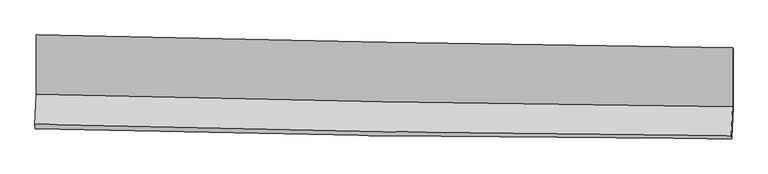
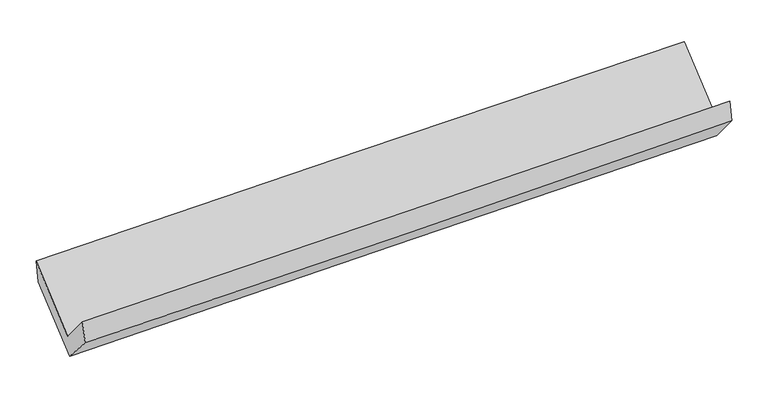
"""IFC4 building model written with IfcOpenShell, lengths in millimetres: proxy geometry."""

import ifcopenshell
import ifcopenshell.guid

model = None  # the IFC model being written
_history = None  # IfcOwnerHistory: only IFC2X3 demands one
_inside = {}  # id of a spatial element -> (the spatial element, [elements in it])
_under = {}  # id of a project, library or spatial element -> (it, [spatial elements below it])
_declared = {}  # id of a project -> (the project, [libraries it declares])
_typed = {}  # id of a type object -> (the type object, [elements of that type])
_made_of = {}  # id of a material, layer set ... -> (it, [elements and type objects made of it])


def new_model(schema):
    """Start an empty IFC model of exactly this schema.

    Asked for "IFC4X3", IfcOpenShell would pick the latest addendum, in which some entities
    have other attributes; the version numbers below select the first issue.
    IFC2X3 requires an IfcOwnerHistory on every rooted entity: one is made here for all.
    """
    global model, _history
    if schema == "IFC4X3":
        model = ifcopenshell.file(schema_version=(4, 3, 0, 0))
    else:
        model = ifcopenshell.file(schema=schema)
    _inside.clear()
    _under.clear()
    _declared.clear()
    _typed.clear()
    _made_of.clear()
    _history = None
    if model.schema == "IFC2X3":
        org = make("IfcOrganization", Name="unknown")
        user = make(
            "IfcPersonAndOrganization",
            ThePerson=make("IfcPerson", FamilyName="unknown"),
            TheOrganization=org,
        )
        app = make(
            "IfcApplication",
            ApplicationDeveloper=org,
            Version="unknown",
            ApplicationFullName="unknown",
            ApplicationIdentifier="unknown",
        )
        _history = make(
            "IfcOwnerHistory",
            OwningUser=user,
            OwningApplication=app,
            ChangeAction="ADDED",
            CreationDate=0,
        )
    return model


def make(cls, **values):
    """One entity of the class cls with the attributes given. An attribute that is None is left unset."""
    return model.create_entity(
        cls, **{name: value for name, value in values.items() if value is not None}
    )


def rooted(cls, **values):
    """An entity with a GlobalId (a new one), such as an element, a storey or a relation."""
    return make(cls, GlobalId=ifcopenshell.guid.new(), OwnerHistory=_history, **values)


def si_unit(unit_type, name, prefix=None):
    """IfcSIUnit, for example si_unit("LENGTHUNIT", "METRE", prefix="MILLI")."""
    return make("IfcSIUnit", UnitType=unit_type, Prefix=prefix, Name=name)


def assignment(units):
    """IfcUnitAssignment: the units of a project."""
    return None if units is None else make("IfcUnitAssignment", Units=units)


def point(xyz):
    """IfcCartesianPoint."""
    return None if xyz is None else make("IfcCartesianPoint", Coordinates=xyz)


def direction(xyz):
    """IfcDirection."""
    return None if xyz is None else make("IfcDirection", DirectionRatios=xyz)


def frame(location, z_axis=None, x_axis=None):
    """IfcAxis2Placement3D, a coordinate frame: its origin and axes. An axis left out is left unset."""
    return make(
        "IfcAxis2Placement3D",
        Location=point(location),
        Axis=direction(z_axis),
        RefDirection=direction(x_axis),
    )


def origin():
    """The frame at (0, 0, 0) with its axes left unset."""
    return frame((0.0, 0.0, 0.0))


def place(relative_to, where):
    """IfcLocalPlacement: puts the frame where relative to a parent placement (None: the world)."""
    return make(
        "IfcLocalPlacement", PlacementRelTo=relative_to, RelativePlacement=where
    )


def context(
    kind, dimensions, precision=None, world=None, true_north=None, identifier=None
):
    """IfcGeometricRepresentationContext, for example the 3D "Model" context."""
    return make(
        "IfcGeometricRepresentationContext",
        ContextIdentifier=identifier,
        ContextType=kind,
        CoordinateSpaceDimension=dimensions,
        Precision=precision,
        WorldCoordinateSystem=world,
        TrueNorth=true_north,
    )


def project(units=None, contexts=None):
    """IfcProject with its units and contexts."""
    return rooted(
        "IfcProject",
        Name="project",
        RepresentationContexts=contexts,
        UnitsInContext=assignment(units),
    )


def spatial(cls, under=None, at=None, **own):
    """A site, building, storey or space (cls), placed at a placement, below another one or the project."""
    s = rooted(cls, ObjectPlacement=at, **own)
    if under is not None:
        _under.setdefault(under.id(), (under, []))[1].append(s)
    return s


def shape(context_of_items, identifier, shape_type, items):
    """IfcShapeRepresentation: the items that make up one representation, for example the "Body"."""
    return make(
        "IfcShapeRepresentation",
        ContextOfItems=context_of_items,
        RepresentationIdentifier=identifier,
        RepresentationType=shape_type,
        Items=items,
    )


def source(mapping_origin, context_of_items, identifier, shape_type, items):
    """IfcRepresentationMap: a shape defined once, which mapped items show again and again."""
    return make(
        "IfcRepresentationMap",
        MappingOrigin=mapping_origin,
        MappedRepresentation=shape(context_of_items, identifier, shape_type, items),
    )


def transform(
    local_origin,
    x_axis=None,
    y_axis=None,
    z_axis=None,
    scale=None,
    scale2=None,
    scale3=None,
    uniform=True,
):
    """IfcCartesianTransformationOperator3D, or its non-uniform kind. x_axis, y_axis, z_axis: its Axis1, 2, 3."""
    if uniform:
        return make(
            "IfcCartesianTransformationOperator3D",
            Axis1=direction(x_axis),
            Axis2=direction(y_axis),
            LocalOrigin=point(local_origin),
            Scale=scale,
            Axis3=direction(z_axis),
        )
    return make(
        "IfcCartesianTransformationOperator3DnonUniform",
        Axis1=direction(x_axis),
        Axis2=direction(y_axis),
        LocalOrigin=point(local_origin),
        Scale=scale,
        Axis3=direction(z_axis),
        Scale2=scale2,
        Scale3=scale3,
    )


def mapped(mapping_source, mapping_target):
    """IfcMappedItem: shows the shape of a source again, moved by a transform."""
    return make(
        "IfcMappedItem", MappingSource=mapping_source, MappingTarget=mapping_target
    )


def made_of(thing, what):
    """Note that an element or type object is made of a material, layer set ...; save() writes the relation."""
    if what is not None:
        _made_of.setdefault(what.id(), (what, []))[1].append(thing)
    return thing


def element(
    cls,
    number,
    at=None,
    inside=None,
    cuts=None,
    type_object=None,
    material=None,
    context=None,
    identifier="Body",
    shape_type=None,
    held_by="IfcProductDefinitionShape",
    body=None,
    shapes=None,
    **own,
):
    """One element of the class cls, such as IfcWall. Its Tag is "e" and its number.

    at: its placement. inside: the storey or other place that contains it. cuts: it is an
    opening in that element (IfcRelVoidsElement). A single representation is given by context,
    identifier, shape_type and body (its items); several are given by shapes. held_by: the class
    of the entity that holds the representations. save() writes the other relations.
    """
    e = rooted(cls, Tag="e%d" % number, ObjectPlacement=at, **own)
    if body is not None:
        shapes = [shape(context, identifier, shape_type, body)]
    if shapes is not None:
        e.Representation = make(held_by, Representations=shapes)
    if inside is not None:
        _inside.setdefault(inside.id(), (inside, []))[1].append(e)
    if cuts is not None:
        rooted(
            "IfcRelVoidsElement", RelatingBuildingElement=cuts, RelatedOpeningElement=e
        )
    if type_object is not None:
        _typed.setdefault(type_object.id(), (type_object, []))[1].append(e)
    return made_of(e, material)


def aggregate(whole, parts):
    """IfcRelAggregates: a whole, such as a stair, and the parts it consists of."""
    return rooted("IfcRelAggregates", RelatingObject=whole, RelatedObjects=parts)


def save(model, path):
    """Write the relations noted so far, then the file.

    IfcRelAggregates (storeys below a building ...), IfcRelContainedInSpatialStructure (elements
    in a storey), IfcRelDefinesByType, IfcRelAssociatesMaterial and IfcRelDeclares: one each for
    every whole, place, type object, material and project.
    """
    for whole, parts in _under.values():
        aggregate(whole, parts)
    for where, things in _inside.values():
        rooted(
            "IfcRelContainedInSpatialStructure",
            RelatedElements=things,
            RelatingStructure=where,
        )
    for kind, things in _typed.values():
        rooted("IfcRelDefinesByType", RelatedObjects=things, RelatingType=kind)
    for what, things in _made_of.values():
        rooted("IfcRelAssociatesMaterial", RelatedObjects=things, RelatingMaterial=what)
    for by, libraries in _declared.values():
        rooted("IfcRelDeclares", RelatingContext=by, RelatedDefinitions=libraries)
    model.write(path)


def plane_surface(at):
    """IfcPlane: the flat surface through the origin of the frame at, square to its z axis."""
    return make("IfcPlane", Position=at)


def spline_curve(degree, points, multiplicities, knots, weights=None):
    """IfcBSplineCurveWithKnots; with weights, IfcRationalBSplineCurveWithKnots."""
    own = dict(
        Degree=degree,
        ControlPointsList=[point(p) for p in points],
        CurveForm="UNSPECIFIED",
        ClosedCurve=False,
        SelfIntersect=False,
        KnotMultiplicities=multiplicities,
        Knots=knots,
        KnotSpec="UNSPECIFIED",
    )
    if weights is None:
        return make("IfcBSplineCurveWithKnots", **own)
    return make("IfcRationalBSplineCurveWithKnots", WeightsData=weights, **own)


def spline_surface(u_degree, v_degree, points, u_multiplicities, v_multiplicities, u_knots, v_knots, weights=None):
    """IfcBSplineSurfaceWithKnots; with weights, IfcRationalBSplineSurfaceWithKnots. points: one row for each step in u."""
    own = dict(
        UDegree=u_degree,
        VDegree=v_degree,
        ControlPointsList=[[point(p) for p in row] for row in points],
        SurfaceForm="UNSPECIFIED",
        UClosed=False,
        VClosed=False,
        SelfIntersect=False,
        UMultiplicities=u_multiplicities,
        VMultiplicities=v_multiplicities,
        UKnots=u_knots,
        VKnots=v_knots,
        KnotSpec="UNSPECIFIED",
    )
    if weights is None:
        return make("IfcBSplineSurfaceWithKnots", **own)
    return make("IfcRationalBSplineSurfaceWithKnots", WeightsData=weights, **own)


def advanced_brep(points, edges, surfaces, faces):
    """IfcAdvancedBrep: a solid bounded by faces that lie on surfaces and meet in shared edges.

    An edge is (start, end): straight between two places in points (the first is 0);
    or (start, end, curve); or (start, end, curve, False) where it runs against its curve.
    A face is (place in surfaces, loops), or (place, loops, False) where it looks against
    its surface's normal. A loop lists edges by number (the first is 1), with a minus sign
    where the edge is run from its end to its start. The first loop is the outer one.
    """
    corners = [point(p) for p in points]
    vertices = [make("IfcVertexPoint", VertexGeometry=c) for c in corners]
    made = []
    for start, end, *more in edges:
        made.append(
            make(
                "IfcEdgeCurve",
                EdgeStart=vertices[start],
                EdgeEnd=vertices[end],
                EdgeGeometry=more[0] if more else make("IfcPolyline", Points=[corners[start], corners[end]]),
                SameSense=more[1] if len(more) > 1 else True,
            )
        )
    hull = []
    for where, loops, *sense in faces:
        bounds = []
        for j, loop in enumerate(loops):
            ring = [make("IfcOrientedEdge", EdgeElement=made[abs(k) - 1], Orientation=k > 0) for k in loop]
            bounds.append(
                make(
                    "IfcFaceOuterBound" if j == 0 else "IfcFaceBound",
                    Bound=make("IfcEdgeLoop", EdgeList=ring),
                    Orientation=True,
                )
            )
        hull.append(make("IfcAdvancedFace", Bounds=bounds, FaceSurface=surfaces[where], SameSense=sense[0] if sense else True))
    return make("IfcAdvancedBrep", Outer=make("IfcClosedShell", CfsFaces=hull))


def generic_models_a66bce00(model_context):
    return source(origin(), model_context, "Body", "AdvancedBrep", [
        advanced_brep(
        [(-3025.3442972, -1152.4368893, 2176.0595673), (-3025.2915491, -1668.7174841, 1736.2938135), (3014.8698215, -1774.0421136, 1883.166824), (3014.3055526, -1261.9081583, 2313.0110356), (-3036.6055756, -1927.1745815, 2042.9497979), (3003.7591098, -2025.2095501, 2186.4357477), (-3033.2946698, -1967.3049877, 1855.1524594), (3007.2061249, -2051.9769468, 2009.6875505), (-3021.7147173, -1691.6770074, 1550.6877305), (3018.9252387, -1784.9090849, 1691.5073726), (-3021.6301233, -1180.211589, 1979.9946973), (3018.3659133, -1277.2618948, 2117.5857529)],
        [
            (0, 1),
            (1, 2, spline_curve(3, [(-3025.2915491, -1668.7174841, 1736.2938135), (-2018.809196244, -1693.811638204, 1764.554948915), (-1012.22216594, -1715.135758559, 1790.924915091), (1001.164956919, -1750.243996274, 1839.882599038), (2007.965050066, -1764.028085836, 1862.470303272), (3014.8698215, -1774.0421136, 1883.166824)], [4, 2, 4], [0.0, 9.912373861867357, 19.824784220507354])),
            (2, 3),
            (3, 0, spline_curve(3, [(3014.3055526, -1261.9081583, 2313.0110356), (2007.430539544, -1249.816530957, 2297.27055881), (1000.687952551, -1234.648088819, 2277.987670233), (-1012.528663286, -1198.157643358, 2232.337154808), (-2019.002692783, -1176.835662293, 2205.969553747), (-3025.3442972, -1152.4368893, 2176.0595673)], [4, 2, 4], [0.0, 9.912410358639997, 19.824784220507354])),
            (1, 4),
            (4, 5, spline_curve(3, [(-3036.6055756, -1927.1745815, 2042.9497979), (-2030.156538875, -1953.476858037, 2071.767355261), (-1023.569223358, -1974.797571387, 2098.133278983), (989.885670462, -2007.475930973, 2145.961946868), (1996.753250365, -2018.833540743, 2167.424673073), (3003.7591098, -2025.2095501, 2186.4357477)], [4, 2, 4], [0.0, 9.912952415143348, 19.825941329189533])),
            (5, 2),
            (4, 6),
            (6, 7, spline_curve(3, [(-3033.2946698, -1967.3049877, 1855.1524594), (-2026.820063105, -1993.304548102, 1884.299146709), (-1020.208620453, -2013.360322927, 1911.750394011), (993.291643641, -2041.584353032, 1963.26210362), (2000.180465832, -2049.752564815, 1987.322553241), (3007.2061249, -2051.9769468, 2009.6875505)], [4, 2, 4], [0.0, 9.913172385675193, 19.82638127106314])),
            (7, 5),
            (6, 8),
            (8, 9, spline_curve(3, [(-3021.7147173, -1691.6770074, 1550.6877305), (-2015.268427545, -1716.249796819, 1582.120202093), (-1008.659546469, -1736.305525264, 1609.571394016), (1004.887104142, -1767.382917949, 1656.511303998), (2011.824875324, -1778.404548603, 1675.999992938), (3018.9252387, -1784.9090849, 1691.5073726)], [4, 2, 4], [0.0, 9.913292974835212, 19.826622449827184])),
            (9, 7),
            (8, 10),
            (10, 11, spline_curve(3, [(-3021.6301233, -1180.211589, 1979.9946973), (-2015.299045427, -1204.143995673, 2011.960437788), (-1008.801430475, -1224.197716792, 2039.409216537), (1004.530580753, -1256.547846964, 2085.272934697), (2011.364977726, -1268.844227949, 2103.687841202), (3018.3659133, -1277.2618948, 2117.5857529)], [4, 2, 4], [0.0, 9.912705448895958, 19.82544739578544])),
            (11, 9),
            (10, 0),
            (3, 11),
        ],
        [
            spline_surface(3, 3, [[(-3025.3442972, -1152.4368893, 2176.0595673), (-2019.002692745, -1176.83566216, 2205.969553699), (-1012.528663185, -1198.157643265, 2232.337154765), (1000.68795245, -1234.648088913, 2277.987670277), (2007.43053947, -1249.816530826, 2297.270558658), (3014.3055526, -1261.9081583, 2313.0110356)], [(-3025.326714501, -1324.530420894, 2029.470982677), (-2018.938193934, -1349.160987531, 2058.831352075), (-1012.426497417, -1370.483681733, 2085.199741517), (1000.846953929, -1406.513391366, 2131.952646563), (2007.608709633, -1421.220382464, 2152.337140156), (3014.493642225, -1432.619476743, 2169.729631738)], [(-3025.309131799, -1496.623952506, 1882.882398123), (-2018.873695119, -1521.486312921, 1911.693150521), (-1012.324331661, -1542.809720147, 1938.062328256), (1001.005955394, -1578.378693765, 1985.917622835), (2007.786879821, -1592.624234075, 2007.403721639), (3014.681731875, -1603.330795157, 2026.448227862)], [(-3025.2915491, -1668.7174841, 1736.2938135), (-2018.809196308, -1693.811638292, 1764.554948897), (-1012.222165893, -1715.135758615, 1790.924915008), (1001.164956872, -1750.243996218, 1839.882599122), (2007.965049984, -1764.028085714, 1862.470303136), (3014.8698215, -1774.0421136, 1883.166824)]], [4, 4], [4, 2, 4], [0.0, 2.2250289928126072], [0.0, 9.912373861867357, 19.824784220507354]),
            spline_surface(3, 3, [[(-3025.2915491, -1668.7174841, 1736.2938135), (-2018.809196308, -1693.811638292, 1764.554948897), (-1012.222165893, -1715.135758615, 1790.924915008), (1001.164956872, -1750.243996218, 1839.882599122), (2007.965049984, -1764.028085714, 1862.470303136), (3014.8698215, -1774.0421136, 1883.166824)], [(-3029.06289124, -1754.8698499, 1838.51247497), (-2022.591643773, -1780.366711585, 1866.959084364), (-1016.00451842, -1801.689696188, 1893.327702971), (997.405194789, -1835.987974434, 1941.909048381), (2004.227783488, -1848.96323732, 1964.12175982), (3011.166250937, -1857.764592408, 1984.256465232)], [(-3032.83423346, -1841.0222157, 1940.73113643), (-2026.374091317, -1866.921784878, 1969.363219822), (-1019.786870969, -1888.243633841, 1995.730490961), (993.645432683, -1921.73195273, 2043.935497668), (2000.490516982, -1933.898389, 2065.773216509), (3007.462680363, -1941.487071292, 2085.346106468)], [(-3036.6055756, -1927.1745815, 2042.9497979), (-2030.156538782, -1953.476858171, 2071.767355289), (-1023.569223496, -1974.797571414, 2098.133278924), (989.8856706, -2007.475930946, 2145.961946927), (1996.753250486, -2018.833540606, 2167.424673193), (3003.7591098, -2025.2095501, 2186.4357477)]], [4, 4], [4, 2, 4], [0.0, 1.3162393765288443], [0.0, 9.912952415143348, 19.825941329189533]),
            spline_surface(3, 3, [[(-3036.6055756, -1927.1745815, 2042.9497979), (-2030.156538782, -1953.476858171, 2071.767355289), (-1023.569223496, -1974.797571414, 2098.133278924), (989.8856706, -2007.475930946, 2145.961946927), (1996.753250486, -2018.833540606, 2167.424673193), (3003.7591098, -2025.2095501, 2186.4357477)], [(-3035.501940366, -1940.551383568, 1980.350685065), (-2029.044380222, -1966.752754828, 2009.277952427), (-1022.449022463, -1987.65182193, 2036.005650612), (991.020994898, -2018.845404992, 2085.061999128), (1997.895655574, -2029.139881959, 2107.390633213), (3004.908114821, -2034.132015671, 2127.519681972)], [(-3034.398305034, -1953.928185632, 1917.751572235), (-2027.932221564, -1980.028651479, 1946.78854957), (-1021.328821385, -2000.506072403, 1973.878022357), (992.156319242, -2030.214878994, 2024.162051385), (1999.038060699, -2039.446223301, 2047.356593217), (3006.057119879, -2043.054481229, 2068.603616228)], [(-3033.2946698, -1967.3049877, 1855.1524594), (-2026.820063004, -1993.304548136, 1884.299146708), (-1020.208620353, -2013.36032292, 1911.750394045), (993.29164354, -2041.58435304, 1963.262103586), (2000.180465788, -2049.752564654, 1987.322553237), (3007.2061249, -2051.9769468, 2009.6875505)]], [4, 4], [4, 2, 4], [0.0, 0.6171750248355427], [0.0, 9.913172385675193, 19.82638127106314]),
            spline_surface(3, 3, [[(-3033.2946698, -1967.3049877, 1855.1524594), (-2026.820063004, -1993.304548136, 1884.299146708), (-1020.208620353, -2013.36032292, 1911.750394045), (993.29164354, -2041.58435304, 1963.262103586), (2000.180465788, -2049.752564654, 1987.322553237), (3007.2061249, -2051.9769468, 2009.6875505)], [(-3029.434685618, -1875.428994266, 1753.664216447), (-2022.969517799, -1900.952964381, 1783.572831901), (-1016.358929068, -1921.008723758, 1811.024060718), (997.156797129, -1950.183874643, 1861.011837085), (2004.061935664, -1959.303225931, 1883.548366469), (3011.112496184, -1962.954326167, 1903.62749119)], [(-3025.574701482, -1783.553000834, 1652.175973453), (-2019.118972641, -1808.601380628, 1682.846517053), (-1012.509237851, -1828.65712456, 1710.297727325), (1001.02195065, -1858.78339621, 1758.761570518), (2007.943405488, -1868.853887208, 1779.774179731), (3015.018867416, -1873.931705533, 1797.56743191)], [(-3021.7147173, -1691.6770074, 1550.6877305), (-2015.268427436, -1716.249796874, 1582.120202246), (-1008.659546566, -1736.305525399, 1609.571393999), (1004.887104239, -1767.382917814, 1656.511304016), (2011.824875364, -1778.404548485, 1675.999992964), (3018.9252387, -1784.9090849, 1691.5073726)]], [4, 4], [4, 2, 4], [0.0, 1.347956750810005], [0.0, 9.913292974835212, 19.826622449827184]),
            spline_surface(3, 3, [[(-3021.7147173, -1691.6770074, 1550.6877305), (-2015.268427436, -1716.249796874, 1582.120202246), (-1008.659546566, -1736.305525399, 1609.571393999), (1004.887104239, -1767.382917814, 1656.511304016), (2011.824875364, -1778.404548485, 1675.999992964), (3018.9252387, -1784.9090849, 1691.5073726)], [(-3021.6865193, -1521.1885346, 1693.790052779), (-2015.278633439, -1545.547863105, 1725.400280738), (-1008.706841188, -1565.602922456, 1752.850668132), (1004.768263011, -1597.104560895, 1799.431847628), (2011.671576161, -1608.551108331, 1818.562609097), (3018.738796913, -1615.693354872, 1833.533499368)], [(-3021.6583213, -1350.7000618, 1836.892375021), (-2015.288839441, -1374.845929336, 1868.680359195), (-1008.754135734, -1394.900319577, 1896.129942257), (1004.649421861, -1426.826204039, 1942.352391231), (2011.518276918, -1438.69766816, 1961.125225226), (3018.552355087, -1446.477624828, 1975.559626132)], [(-3021.6301233, -1180.211589, 1979.9946973), (-2015.299045444, -1204.143995567, 2011.960437687), (-1008.801430356, -1224.197716635, 2039.409216391), (1004.530580633, -1256.547847121, 2085.272934843), (2011.364977715, -1268.844228005, 2103.68784136), (3018.3659133, -1277.2618948, 2117.5857529)]], [4, 4], [4, 2, 4], [0.0, 2.190808561654048], [0.0, 9.912705448895958, 19.82544739578544]),
            spline_surface(3, 3, [[(-3021.6301233, -1180.211589, 1979.9946973), (-2015.299045444, -1204.143995567, 2011.960437687), (-1008.801430356, -1224.197716635, 2039.409216391), (1004.530580633, -1256.547847121, 2085.272934843), (2011.364977715, -1268.844228005, 2103.68784136), (3018.3659133, -1277.2618948, 2117.5857529)], [(-3022.868181275, -1170.953355771, 2045.349653963), (-2016.533594552, -1195.041217769, 2076.63014302), (-1010.043841293, -1215.517692181, 2103.718529181), (1003.249704578, -1249.247927721, 2149.511179986), (2010.053498286, -1262.501662285, 2168.215413792), (3017.01245972, -1272.143982639, 2182.727513799)], [(-3024.106239225, -1161.695122529, 2110.704610637), (-2017.768143636, -1185.938439957, 2141.299848366), (-1011.286252248, -1206.837667718, 2168.027841975), (1001.968828505, -1241.948008313, 2213.749425133), (2008.742018898, -1256.159096546, 2232.742986226), (3015.65900618, -1267.026070461, 2247.869274701)], [(-3025.3442972, -1152.4368893, 2176.0595673), (-2019.002692745, -1176.83566216, 2205.969553699), (-1012.528663185, -1198.157643265, 2232.337154765), (1000.68795245, -1234.648088913, 2277.987670277), (2007.43053947, -1249.816530826, 2297.270558658), (3014.3055526, -1261.9081583, 2313.0110356)]], [4, 4], [4, 2, 4], [0.0, 0.6376061436638681], [0.0, 9.911997408258578, 19.824031311903717]),
            plane_surface(frame((3012.9052935, -1695.8846247, 2033.5657139), z_axis=(0.9996019483631006, -0.0174831594862446, 0.022142356764167512), x_axis=(-0.0008439354580418965, 0.7659610931701761, 0.6428863752814268))),
            plane_surface(frame((-3027.3134887, -1597.9204232, 1890.1896776), z_axis=(-0.9996022965908568, 0.018226903373992027, -0.02151810037341044), x_axis=(0.018753034754359063, -0.14023573454216456, -0.9899405348024302))),
        ],
        [
            (0, [[1, 2, 3, 4]]),
            (1, [[5, 6, 7, -2]]),
            (2, [[8, 9, 10, -6]]),
            (3, [[11, 12, 13, -9]]),
            (4, [[14, 15, 16, -12]]),
            (5, [[17, -4, 18, -15]]),
            (6, [[-16, -18, -3, -7, -10, -13]]),
            (7, [[-17, -14, -11, -8, -5, -1]]),
        ],
    ),
    ])


if __name__ == "__main__":
    model = new_model("IFC4")
    model_context = context("Model", 3, world=origin())
    ifc_project = project(units=[si_unit("LENGTHUNIT", "METRE", prefix="MILLI")], contexts=[model_context])
    site = spatial("IfcSite", under=ifc_project)
    building = spatial("IfcBuilding", under=site)
    placement = place(None, origin())
    generic_models_shape = generic_models_a66bce00(model_context)
    element("IfcBuildingElementProxy", 1, Name="Generic Models", at=placement, inside=building, context=model_context, shape_type="MappedRepresentation", body=[
        mapped(generic_models_shape, transform((0.0, 0.0, 0.0), x_axis=(1.0, 0.0, 0.0), y_axis=(0.0, 1.0, 0.0), z_axis=(0.0, 0.0, 1.0))),
    ])
    save(model, "model.ifc")
